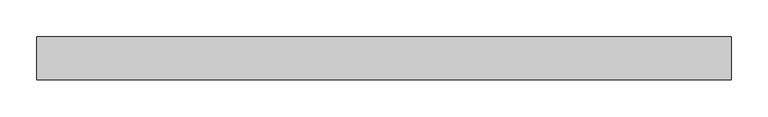
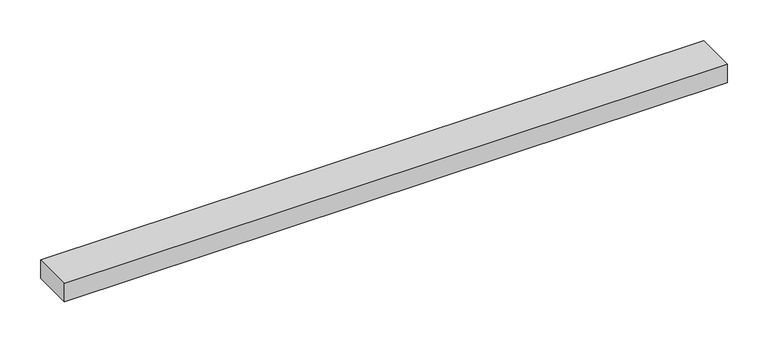
"""IFC4 building model written with IfcOpenShell, lengths in millimetres: proxy geometry."""

import ifcopenshell
import ifcopenshell.guid

model = None  # the IFC model being written
_history = None  # IfcOwnerHistory: only IFC2X3 demands one
_inside = {}  # id of a spatial element -> (the spatial element, [elements in it])
_under = {}  # id of a project, library or spatial element -> (it, [spatial elements below it])
_declared = {}  # id of a project -> (the project, [libraries it declares])
_typed = {}  # id of a type object -> (the type object, [elements of that type])
_made_of = {}  # id of a material, layer set ... -> (it, [elements and type objects made of it])


def new_model(schema):
    """Start an empty IFC model of exactly this schema.

    Asked for "IFC4X3", IfcOpenShell would pick the latest addendum, in which some entities
    have other attributes; the version numbers below select the first issue.
    IFC2X3 requires an IfcOwnerHistory on every rooted entity: one is made here for all.
    """
    global model, _history
    if schema == "IFC4X3":
        model = ifcopenshell.file(schema_version=(4, 3, 0, 0))
    else:
        model = ifcopenshell.file(schema=schema)
    _inside.clear()
    _under.clear()
    _declared.clear()
    _typed.clear()
    _made_of.clear()
    _history = None
    if model.schema == "IFC2X3":
        org = make("IfcOrganization", Name="unknown")
        user = make(
            "IfcPersonAndOrganization",
            ThePerson=make("IfcPerson", FamilyName="unknown"),
            TheOrganization=org,
        )
        app = make(
            "IfcApplication",
            ApplicationDeveloper=org,
            Version="unknown",
            ApplicationFullName="unknown",
            ApplicationIdentifier="unknown",
        )
        _history = make(
            "IfcOwnerHistory",
            OwningUser=user,
            OwningApplication=app,
            ChangeAction="ADDED",
            CreationDate=0,
        )
    return model


def make(cls, **values):
    """One entity of the class cls with the attributes given. An attribute that is None is left unset."""
    return model.create_entity(
        cls, **{name: value for name, value in values.items() if value is not None}
    )


def rooted(cls, **values):
    """An entity with a GlobalId (a new one), such as an element, a storey or a relation."""
    return make(cls, GlobalId=ifcopenshell.guid.new(), OwnerHistory=_history, **values)


def si_unit(unit_type, name, prefix=None):
    """IfcSIUnit, for example si_unit("LENGTHUNIT", "METRE", prefix="MILLI")."""
    return make("IfcSIUnit", UnitType=unit_type, Prefix=prefix, Name=name)


def assignment(units):
    """IfcUnitAssignment: the units of a project."""
    return None if units is None else make("IfcUnitAssignment", Units=units)


def point(xyz):
    """IfcCartesianPoint."""
    return None if xyz is None else make("IfcCartesianPoint", Coordinates=xyz)


def direction(xyz):
    """IfcDirection."""
    return None if xyz is None else make("IfcDirection", DirectionRatios=xyz)


def frame(location, z_axis=None, x_axis=None):
    """IfcAxis2Placement3D, a coordinate frame: its origin and axes. An axis left out is left unset."""
    return make(
        "IfcAxis2Placement3D",
        Location=point(location),
        Axis=direction(z_axis),
        RefDirection=direction(x_axis),
    )


def origin():
    """The frame at (0, 0, 0) with its axes left unset."""
    return frame((0.0, 0.0, 0.0))


def place(relative_to, where):
    """IfcLocalPlacement: puts the frame where relative to a parent placement (None: the world)."""
    return make(
        "IfcLocalPlacement", PlacementRelTo=relative_to, RelativePlacement=where
    )


def context(
    kind, dimensions, precision=None, world=None, true_north=None, identifier=None
):
    """IfcGeometricRepresentationContext, for example the 3D "Model" context."""
    return make(
        "IfcGeometricRepresentationContext",
        ContextIdentifier=identifier,
        ContextType=kind,
        CoordinateSpaceDimension=dimensions,
        Precision=precision,
        WorldCoordinateSystem=world,
        TrueNorth=true_north,
    )


def project(units=None, contexts=None):
    """IfcProject with its units and contexts."""
    return rooted(
        "IfcProject",
        Name="project",
        RepresentationContexts=contexts,
        UnitsInContext=assignment(units),
    )


def spatial(cls, under=None, at=None, **own):
    """A site, building, storey or space (cls), placed at a placement, below another one or the project."""
    s = rooted(cls, ObjectPlacement=at, **own)
    if under is not None:
        _under.setdefault(under.id(), (under, []))[1].append(s)
    return s


def polyline(points):
    """IfcPolyline through the points."""
    return make("IfcPolyline", Points=[point(p) for p in points])


def outline(outer, holes=None, kind="AREA"):
    """IfcArbitraryClosedProfileDef: a profile drawn as a closed curve; with holes, ...WithVoids."""
    if holes is None:
        return make("IfcArbitraryClosedProfileDef", ProfileType=kind, OuterCurve=outer)
    return make(
        "IfcArbitraryProfileDefWithVoids",
        ProfileType=kind,
        OuterCurve=outer,
        InnerCurves=holes,
    )


def extrude(swept, where, along, depth):
    """IfcExtrudedAreaSolid: the profile swept, set in the frame where, extruded along a direction by depth."""
    return make(
        "IfcExtrudedAreaSolid",
        SweptArea=swept,
        Position=where,
        ExtrudedDirection=direction(along),
        Depth=depth,
    )


def shape(context_of_items, identifier, shape_type, items):
    """IfcShapeRepresentation: the items that make up one representation, for example the "Body"."""
    return make(
        "IfcShapeRepresentation",
        ContextOfItems=context_of_items,
        RepresentationIdentifier=identifier,
        RepresentationType=shape_type,
        Items=items,
    )


def source(mapping_origin, context_of_items, identifier, shape_type, items):
    """IfcRepresentationMap: a shape defined once, which mapped items show again and again."""
    return make(
        "IfcRepresentationMap",
        MappingOrigin=mapping_origin,
        MappedRepresentation=shape(context_of_items, identifier, shape_type, items),
    )


def transform(
    local_origin,
    x_axis=None,
    y_axis=None,
    z_axis=None,
    scale=None,
    scale2=None,
    scale3=None,
    uniform=True,
):
    """IfcCartesianTransformationOperator3D, or its non-uniform kind. x_axis, y_axis, z_axis: its Axis1, 2, 3."""
    if uniform:
        return make(
            "IfcCartesianTransformationOperator3D",
            Axis1=direction(x_axis),
            Axis2=direction(y_axis),
            LocalOrigin=point(local_origin),
            Scale=scale,
            Axis3=direction(z_axis),
        )
    return make(
        "IfcCartesianTransformationOperator3DnonUniform",
        Axis1=direction(x_axis),
        Axis2=direction(y_axis),
        LocalOrigin=point(local_origin),
        Scale=scale,
        Axis3=direction(z_axis),
        Scale2=scale2,
        Scale3=scale3,
    )


def mapped(mapping_source, mapping_target):
    """IfcMappedItem: shows the shape of a source again, moved by a transform."""
    return make(
        "IfcMappedItem", MappingSource=mapping_source, MappingTarget=mapping_target
    )


def made_of(thing, what):
    """Note that an element or type object is made of a material, layer set ...; save() writes the relation."""
    if what is not None:
        _made_of.setdefault(what.id(), (what, []))[1].append(thing)
    return thing


def element(
    cls,
    number,
    at=None,
    inside=None,
    cuts=None,
    type_object=None,
    material=None,
    context=None,
    identifier="Body",
    shape_type=None,
    held_by="IfcProductDefinitionShape",
    body=None,
    shapes=None,
    **own,
):
    """One element of the class cls, such as IfcWall. Its Tag is "e" and its number.

    at: its placement. inside: the storey or other place that contains it. cuts: it is an
    opening in that element (IfcRelVoidsElement). A single representation is given by context,
    identifier, shape_type and body (its items); several are given by shapes. held_by: the class
    of the entity that holds the representations. save() writes the other relations.
    """
    e = rooted(cls, Tag="e%d" % number, ObjectPlacement=at, **own)
    if body is not None:
        shapes = [shape(context, identifier, shape_type, body)]
    if shapes is not None:
        e.Representation = make(held_by, Representations=shapes)
    if inside is not None:
        _inside.setdefault(inside.id(), (inside, []))[1].append(e)
    if cuts is not None:
        rooted(
            "IfcRelVoidsElement", RelatingBuildingElement=cuts, RelatedOpeningElement=e
        )
    if type_object is not None:
        _typed.setdefault(type_object.id(), (type_object, []))[1].append(e)
    return made_of(e, material)


def aggregate(whole, parts):
    """IfcRelAggregates: a whole, such as a stair, and the parts it consists of."""
    return rooted("IfcRelAggregates", RelatingObject=whole, RelatedObjects=parts)


def save(model, path):
    """Write the relations noted so far, then the file.

    IfcRelAggregates (storeys below a building ...), IfcRelContainedInSpatialStructure (elements
    in a storey), IfcRelDefinesByType, IfcRelAssociatesMaterial and IfcRelDeclares: one each for
    every whole, place, type object, material and project.
    """
    for whole, parts in _under.values():
        aggregate(whole, parts)
    for where, things in _inside.values():
        rooted(
            "IfcRelContainedInSpatialStructure",
            RelatedElements=things,
            RelatingStructure=where,
        )
    for kind, things in _typed.values():
        rooted("IfcRelDefinesByType", RelatedObjects=things, RelatingType=kind)
    for what, things in _made_of.values():
        rooted("IfcRelAssociatesMaterial", RelatedObjects=things, RelatingMaterial=what)
    for by, libraries in _declared.values():
        rooted("IfcRelDeclares", RelatingContext=by, RelatedDefinitions=libraries)
    model.write(path)


def specialty_equipment_6b773463(model_context):
    return source(origin(), model_context, "Body", "SweptSolid", [
        extrude(outline(polyline([(-470.6687557, -29.2199219), (-470.6687557, 29.2199219), (470.6687557, 29.2199219), (470.6687557, -29.2199219), (-470.6687557, -29.2199219)])), frame((0.0, 0.0, -13.9898438), z_axis=(0.0, 0.0, 1.0), x_axis=(1.0, 0.0, 0.0)), (0.0, 0.0, 1.0), 27.9796875),
    ])


if __name__ == "__main__":
    model = new_model("IFC4")
    model_context = context("Model", 3, world=origin())
    ifc_project = project(units=[si_unit("LENGTHUNIT", "METRE", prefix="MILLI")], contexts=[model_context])
    site = spatial("IfcSite", under=ifc_project)
    building = spatial("IfcBuilding", under=site)
    placement = place(None, origin())
    specialty_equipment_shape = specialty_equipment_6b773463(model_context)
    element("IfcBuildingElementProxy", 1, Name="Specialty Equipment", at=placement, inside=building, context=model_context, shape_type="MappedRepresentation", body=[
        mapped(specialty_equipment_shape, transform((0.0, 0.0, 0.0), x_axis=(1.0, 0.0, 0.0), y_axis=(0.0, 1.0, 0.0), z_axis=(0.0, 0.0, 1.0))),
    ])
    save(model, "model.ifc")
